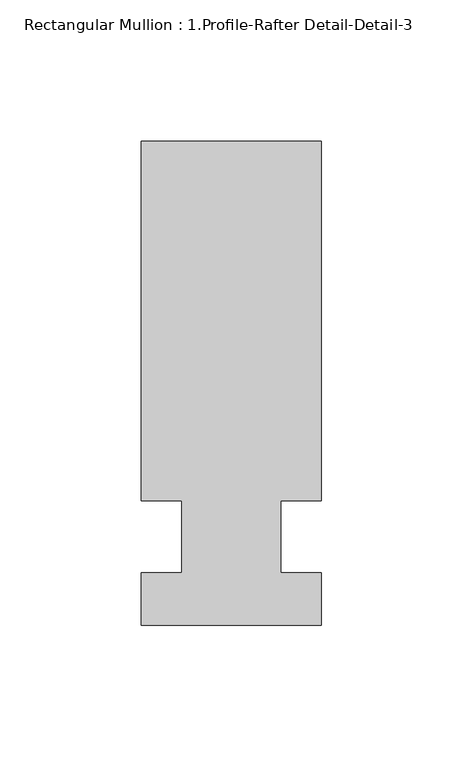
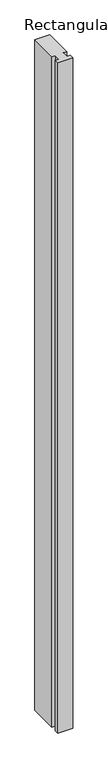
"""IFC4 building model written with IfcOpenShell, lengths in millimetres: member geometry, Rectangular Mullion : 1.Profile-Rafter Detail-Detail-3."""

from ifc_helpers import new_model, si_unit, frame, origin, place, context, project, spatial, polyline, outline, extrude, source, transform, mapped, element, save


def rectangular_mullion_1_profile_rafter_detail_detail_3_94256727(model_context):
    return source(origin(), model_context, "Body", "SweptSolid", [
        extrude(outline(polyline([(0.0, 170.91025), (0.0, 43.9102246), (-14.2875, 43.91025), (-14.2875, 18.51025), (0.0, 18.51025), (0.0, 0.0), (-63.5, 0.0), (-63.5, 18.51025), (-49.2125, 18.51025), (-49.2125, 43.91025), (-63.5, 43.91025), (-63.5, 170.91025), (0.0, 170.91025)])), frame((0.0, 0.0, -3048.0), z_axis=(0.0, 0.0, 1.0), x_axis=(1.0, 0.0, 0.0)), (0.0, 0.0, 1.0), 3048.0),
    ])


if __name__ == "__main__":
    model = new_model("IFC4")
    model_context = context("Model", 3, world=origin())
    ifc_project = project(units=[si_unit("LENGTHUNIT", "METRE", prefix="MILLI")], contexts=[model_context])
    site = spatial("IfcSite", under=ifc_project)
    building = spatial("IfcBuilding", under=site)
    placement = place(None, origin())
    rectangular_mullion_1_profile_rafter_detail_detail_3_shape = rectangular_mullion_1_profile_rafter_detail_detail_3_94256727(model_context)
    element("IfcMember", 1, ObjectType="Rectangular Mullion : 1.Profile-Rafter Detail-Detail-3", at=placement, inside=building, context=model_context, shape_type="MappedRepresentation", body=[
        mapped(rectangular_mullion_1_profile_rafter_detail_detail_3_shape, transform((0.0, 0.0, 0.0), x_axis=(1.0, 0.0, 0.0), y_axis=(0.0, 1.0, 0.0), z_axis=(0.0, 0.0, 1.0))),
    ])
    save(model, "model.ifc")
